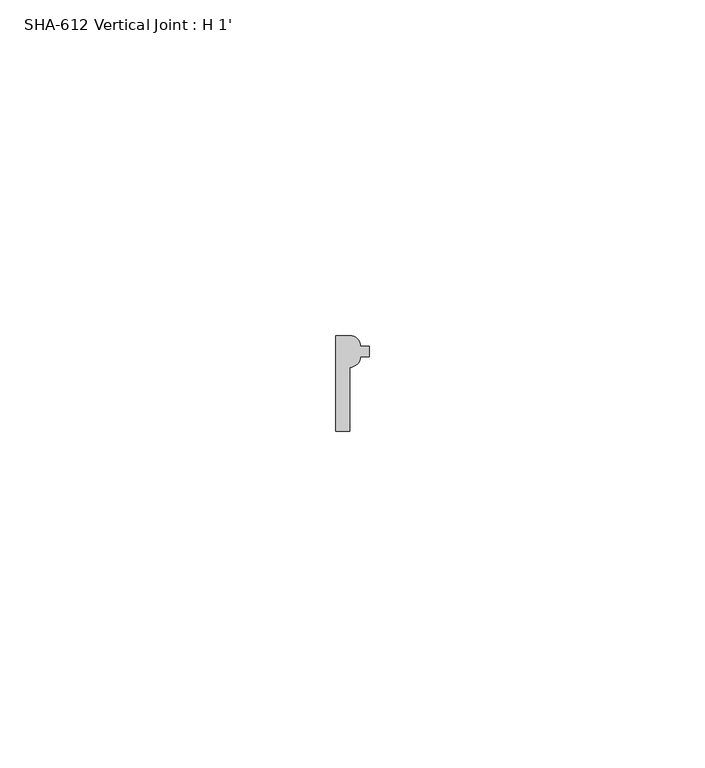
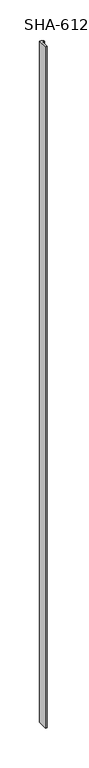
"""IFC4 building model written with IfcOpenShell, lengths in millimetres: proxy geometry, SHA-612 Vertical Joint : H 1'."""

from ifc_helpers import new_model, si_unit, point, frame_2d, origin, origin_with_axes, place, context, project, spatial, polyline, circle_curve, trimmed, segment, composite_curve, outline, extrude, source, transform, mapped, element, save


def sha_612_vertical_joint_h_1_5f83fed9(model_context):
    return source(origin(), model_context, "Body", "SweptSolid", [
        extrude(outline(composite_curve([segment(trimmed(circle_curve(frame_2d((2.1336, 11.0998)), 1.5748), [point((3.7084, 11.0998))], [point((2.1336, 9.525))], False, "CARTESIAN"), True, "CONTINUOUS"), segment(polyline([(2.1336, 9.525), (2.1336, 0.0), (0.0, 0.0), (0.0, 14.2494), (2.1336, 14.2494)]), True, "CONTINUOUS"), segment(trimmed(circle_curve(frame_2d((2.1336, 12.6746)), 1.5748), [point((2.1336, 14.2494))], [point((3.7084, 12.6746))], False, "CARTESIAN"), True, "CONTINUOUS"), segment(polyline([(3.7084, 12.6746), (5.03555, 12.6746), (5.03555, 11.8872), (5.03555, 11.0998), (3.7084, 11.0998)]), True, "CONTINUOUS")], self_intersect=False)), origin_with_axes(), (0.0, 0.0, 1.0), 1041.4),
    ])


if __name__ == "__main__":
    model = new_model("IFC4")
    model_context = context("Model", 3, world=origin())
    ifc_project = project(units=[si_unit("LENGTHUNIT", "METRE", prefix="MILLI")], contexts=[model_context])
    site = spatial("IfcSite", under=ifc_project)
    building = spatial("IfcBuilding", under=site)
    placement = place(None, origin())
    sha_612_vertical_joint_h_1_shape = sha_612_vertical_joint_h_1_5f83fed9(model_context)
    element("IfcBuildingElementProxy", 1, Name="SHA-612 Vertical Joint : H 1'", ObjectType="SHA-612 Vertical Joint : H 1'", at=placement, inside=building, context=model_context, shape_type="MappedRepresentation", body=[
        mapped(sha_612_vertical_joint_h_1_shape, transform((0.0, 0.0, 0.0), x_axis=(1.0, 0.0, 0.0), y_axis=(0.0, 1.0, 0.0), z_axis=(0.0, 0.0, 1.0))),
    ])
    save(model, "model.ifc")
